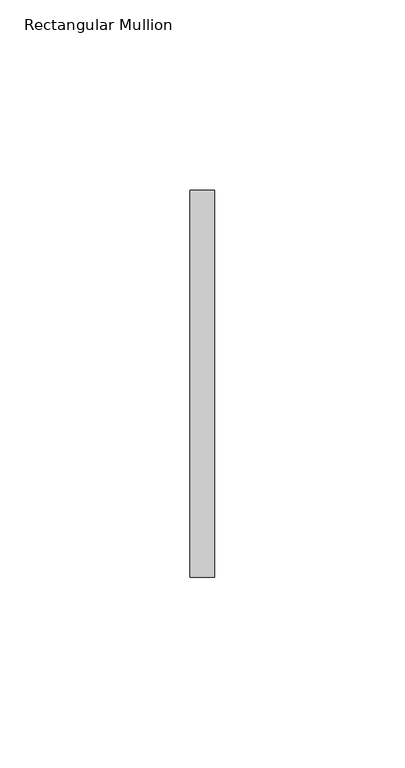
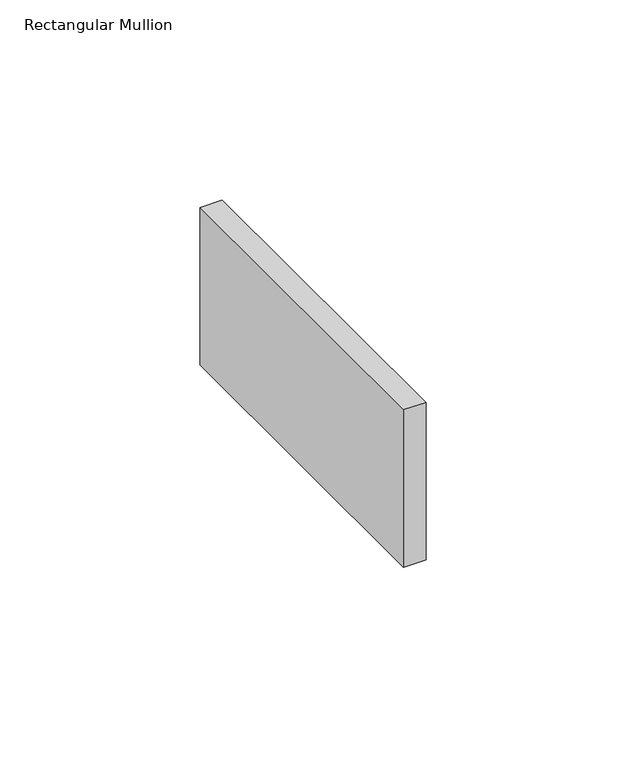
"""IFC4 building model written with IfcOpenShell, lengths in millimetres: member geometry, Rectangular Mullion."""

import ifcopenshell
import ifcopenshell.guid

model = None  # the IFC model being written
_history = None  # IfcOwnerHistory: only IFC2X3 demands one
_inside = {}  # id of a spatial element -> (the spatial element, [elements in it])
_under = {}  # id of a project, library or spatial element -> (it, [spatial elements below it])
_declared = {}  # id of a project -> (the project, [libraries it declares])
_typed = {}  # id of a type object -> (the type object, [elements of that type])
_made_of = {}  # id of a material, layer set ... -> (it, [elements and type objects made of it])


def new_model(schema):
    """Start an empty IFC model of exactly this schema.

    Asked for "IFC4X3", IfcOpenShell would pick the latest addendum, in which some entities
    have other attributes; the version numbers below select the first issue.
    IFC2X3 requires an IfcOwnerHistory on every rooted entity: one is made here for all.
    """
    global model, _history
    if schema == "IFC4X3":
        model = ifcopenshell.file(schema_version=(4, 3, 0, 0))
    else:
        model = ifcopenshell.file(schema=schema)
    _inside.clear()
    _under.clear()
    _declared.clear()
    _typed.clear()
    _made_of.clear()
    _history = None
    if model.schema == "IFC2X3":
        org = make("IfcOrganization", Name="unknown")
        user = make(
            "IfcPersonAndOrganization",
            ThePerson=make("IfcPerson", FamilyName="unknown"),
            TheOrganization=org,
        )
        app = make(
            "IfcApplication",
            ApplicationDeveloper=org,
            Version="unknown",
            ApplicationFullName="unknown",
            ApplicationIdentifier="unknown",
        )
        _history = make(
            "IfcOwnerHistory",
            OwningUser=user,
            OwningApplication=app,
            ChangeAction="ADDED",
            CreationDate=0,
        )
    return model


def make(cls, **values):
    """One entity of the class cls with the attributes given. An attribute that is None is left unset."""
    return model.create_entity(
        cls, **{name: value for name, value in values.items() if value is not None}
    )


def rooted(cls, **values):
    """An entity with a GlobalId (a new one), such as an element, a storey or a relation."""
    return make(cls, GlobalId=ifcopenshell.guid.new(), OwnerHistory=_history, **values)


def si_unit(unit_type, name, prefix=None):
    """IfcSIUnit, for example si_unit("LENGTHUNIT", "METRE", prefix="MILLI")."""
    return make("IfcSIUnit", UnitType=unit_type, Prefix=prefix, Name=name)


def assignment(units):
    """IfcUnitAssignment: the units of a project."""
    return None if units is None else make("IfcUnitAssignment", Units=units)


def point(xyz):
    """IfcCartesianPoint."""
    return None if xyz is None else make("IfcCartesianPoint", Coordinates=xyz)


def direction(xyz):
    """IfcDirection."""
    return None if xyz is None else make("IfcDirection", DirectionRatios=xyz)


def frame(location, z_axis=None, x_axis=None):
    """IfcAxis2Placement3D, a coordinate frame: its origin and axes. An axis left out is left unset."""
    return make(
        "IfcAxis2Placement3D",
        Location=point(location),
        Axis=direction(z_axis),
        RefDirection=direction(x_axis),
    )


def origin():
    """The frame at (0, 0, 0) with its axes left unset."""
    return frame((0.0, 0.0, 0.0))


def place(relative_to, where):
    """IfcLocalPlacement: puts the frame where relative to a parent placement (None: the world)."""
    return make(
        "IfcLocalPlacement", PlacementRelTo=relative_to, RelativePlacement=where
    )


def context(
    kind, dimensions, precision=None, world=None, true_north=None, identifier=None
):
    """IfcGeometricRepresentationContext, for example the 3D "Model" context."""
    return make(
        "IfcGeometricRepresentationContext",
        ContextIdentifier=identifier,
        ContextType=kind,
        CoordinateSpaceDimension=dimensions,
        Precision=precision,
        WorldCoordinateSystem=world,
        TrueNorth=true_north,
    )


def project(units=None, contexts=None):
    """IfcProject with its units and contexts."""
    return rooted(
        "IfcProject",
        Name="project",
        RepresentationContexts=contexts,
        UnitsInContext=assignment(units),
    )


def spatial(cls, under=None, at=None, **own):
    """A site, building, storey or space (cls), placed at a placement, below another one or the project."""
    s = rooted(cls, ObjectPlacement=at, **own)
    if under is not None:
        _under.setdefault(under.id(), (under, []))[1].append(s)
    return s


def polyline(points):
    """IfcPolyline through the points."""
    return make("IfcPolyline", Points=[point(p) for p in points])


def outline(outer, holes=None, kind="AREA"):
    """IfcArbitraryClosedProfileDef: a profile drawn as a closed curve; with holes, ...WithVoids."""
    if holes is None:
        return make("IfcArbitraryClosedProfileDef", ProfileType=kind, OuterCurve=outer)
    return make(
        "IfcArbitraryProfileDefWithVoids",
        ProfileType=kind,
        OuterCurve=outer,
        InnerCurves=holes,
    )


def extrude(swept, where, along, depth):
    """IfcExtrudedAreaSolid: the profile swept, set in the frame where, extruded along a direction by depth."""
    return make(
        "IfcExtrudedAreaSolid",
        SweptArea=swept,
        Position=where,
        ExtrudedDirection=direction(along),
        Depth=depth,
    )


def shape(context_of_items, identifier, shape_type, items):
    """IfcShapeRepresentation: the items that make up one representation, for example the "Body"."""
    return make(
        "IfcShapeRepresentation",
        ContextOfItems=context_of_items,
        RepresentationIdentifier=identifier,
        RepresentationType=shape_type,
        Items=items,
    )


def source(mapping_origin, context_of_items, identifier, shape_type, items):
    """IfcRepresentationMap: a shape defined once, which mapped items show again and again."""
    return make(
        "IfcRepresentationMap",
        MappingOrigin=mapping_origin,
        MappedRepresentation=shape(context_of_items, identifier, shape_type, items),
    )


def transform(
    local_origin,
    x_axis=None,
    y_axis=None,
    z_axis=None,
    scale=None,
    scale2=None,
    scale3=None,
    uniform=True,
):
    """IfcCartesianTransformationOperator3D, or its non-uniform kind. x_axis, y_axis, z_axis: its Axis1, 2, 3."""
    if uniform:
        return make(
            "IfcCartesianTransformationOperator3D",
            Axis1=direction(x_axis),
            Axis2=direction(y_axis),
            LocalOrigin=point(local_origin),
            Scale=scale,
            Axis3=direction(z_axis),
        )
    return make(
        "IfcCartesianTransformationOperator3DnonUniform",
        Axis1=direction(x_axis),
        Axis2=direction(y_axis),
        LocalOrigin=point(local_origin),
        Scale=scale,
        Axis3=direction(z_axis),
        Scale2=scale2,
        Scale3=scale3,
    )


def mapped(mapping_source, mapping_target):
    """IfcMappedItem: shows the shape of a source again, moved by a transform."""
    return make(
        "IfcMappedItem", MappingSource=mapping_source, MappingTarget=mapping_target
    )


def made_of(thing, what):
    """Note that an element or type object is made of a material, layer set ...; save() writes the relation."""
    if what is not None:
        _made_of.setdefault(what.id(), (what, []))[1].append(thing)
    return thing


def element(
    cls,
    number,
    at=None,
    inside=None,
    cuts=None,
    type_object=None,
    material=None,
    context=None,
    identifier="Body",
    shape_type=None,
    held_by="IfcProductDefinitionShape",
    body=None,
    shapes=None,
    **own,
):
    """One element of the class cls, such as IfcWall. Its Tag is "e" and its number.

    at: its placement. inside: the storey or other place that contains it. cuts: it is an
    opening in that element (IfcRelVoidsElement). A single representation is given by context,
    identifier, shape_type and body (its items); several are given by shapes. held_by: the class
    of the entity that holds the representations. save() writes the other relations.
    """
    e = rooted(cls, Tag="e%d" % number, ObjectPlacement=at, **own)
    if body is not None:
        shapes = [shape(context, identifier, shape_type, body)]
    if shapes is not None:
        e.Representation = make(held_by, Representations=shapes)
    if inside is not None:
        _inside.setdefault(inside.id(), (inside, []))[1].append(e)
    if cuts is not None:
        rooted(
            "IfcRelVoidsElement", RelatingBuildingElement=cuts, RelatedOpeningElement=e
        )
    if type_object is not None:
        _typed.setdefault(type_object.id(), (type_object, []))[1].append(e)
    return made_of(e, material)


def aggregate(whole, parts):
    """IfcRelAggregates: a whole, such as a stair, and the parts it consists of."""
    return rooted("IfcRelAggregates", RelatingObject=whole, RelatedObjects=parts)


def save(model, path):
    """Write the relations noted so far, then the file.

    IfcRelAggregates (storeys below a building ...), IfcRelContainedInSpatialStructure (elements
    in a storey), IfcRelDefinesByType, IfcRelAssociatesMaterial and IfcRelDeclares: one each for
    every whole, place, type object, material and project.
    """
    for whole, parts in _under.values():
        aggregate(whole, parts)
    for where, things in _inside.values():
        rooted(
            "IfcRelContainedInSpatialStructure",
            RelatedElements=things,
            RelatingStructure=where,
        )
    for kind, things in _typed.values():
        rooted("IfcRelDefinesByType", RelatedObjects=things, RelatingType=kind)
    for what, things in _made_of.values():
        rooted("IfcRelAssociatesMaterial", RelatedObjects=things, RelatingMaterial=what)
    for by, libraries in _declared.values():
        rooted("IfcRelDeclares", RelatingContext=by, RelatedDefinitions=libraries)
    model.write(path)


def rectangular_mullion_61f4dcb0(model_context):
    return source(origin(), model_context, "Body", "SweptSolid", [
        extrude(outline(polyline([(0.0, 50.8), (0.0, -50.8), (-6.35, -50.8), (-6.35, 50.8), (0.0, 50.8)])), frame((0.0, 0.0, -48.021875), z_axis=(0.0, 0.0, 1.0), x_axis=(1.0, 0.0, 0.0)), (0.0, 0.0, 1.0), 48.021875),
    ])


if __name__ == "__main__":
    model = new_model("IFC4")
    model_context = context("Model", 3, world=origin())
    ifc_project = project(units=[si_unit("LENGTHUNIT", "METRE", prefix="MILLI")], contexts=[model_context])
    site = spatial("IfcSite", under=ifc_project)
    building = spatial("IfcBuilding", under=site)
    placement = place(None, origin())
    rectangular_mullion_shape = rectangular_mullion_61f4dcb0(model_context)
    element("IfcMember", 1, ObjectType="Rectangular Mullion", at=placement, inside=building, context=model_context, shape_type="MappedRepresentation", body=[
        mapped(rectangular_mullion_shape, transform((0.0, 0.0, 0.0), x_axis=(1.0, 0.0, 0.0), y_axis=(0.0, 1.0, 0.0), z_axis=(0.0, 0.0, 1.0))),
    ])
    save(model, "model.ifc")
